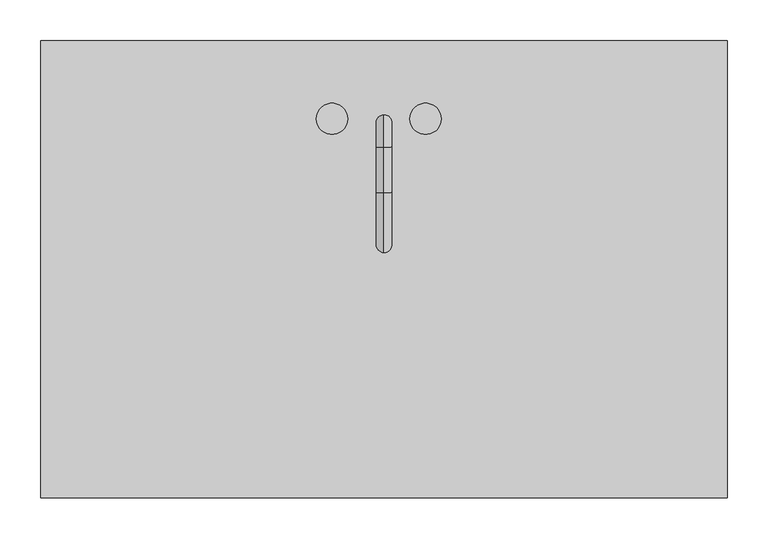
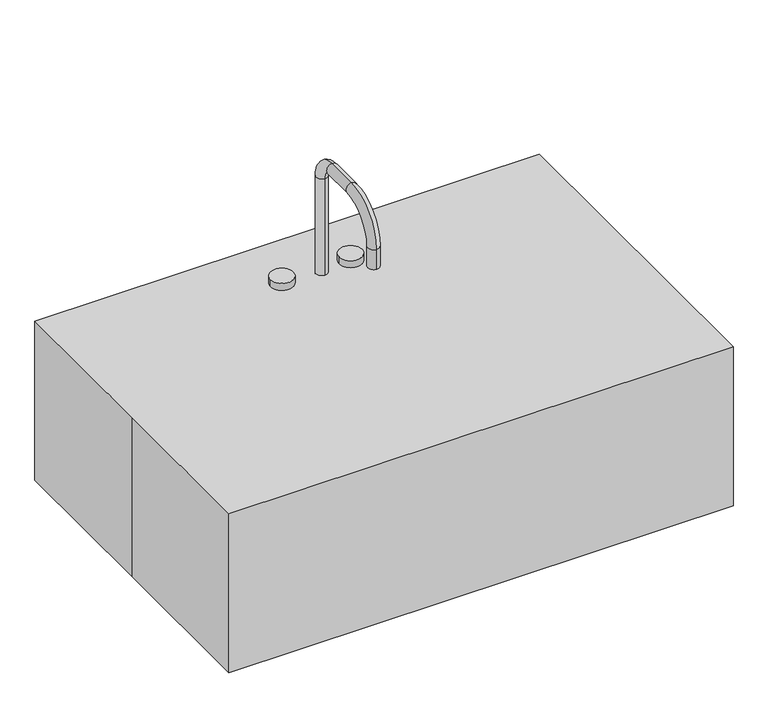
"""IFC4 building model written with IfcOpenShell, lengths in millimetres: proxy geometry."""

from ifc_helpers import new_model, si_unit, point, frame, frame_2d, origin, origin_with_axes, place, context, project, spatial, polyline, circle_curve, ellipse_curve, trimmed, segment, composite_curve, outline, extrude, source, transform, mapped, element, save
from ifc_brep_helpers import plane_surface, cylinder_surface, revolved_surface, advanced_brep


def specialty_equipment_ef24b253(model_context):
    return source(origin(), model_context, "Body", "SolidModel", [
        extrude(outline(composite_curve([segment(trimmed(circle_curve(frame_2d((-76.2000001, 92.075)), 63.5), [point((-12.7000001, 92.075))], [point((-76.2000001, 155.575))], True, "CARTESIAN"), True, "CONTINUOUS"), segment(polyline([(-76.2000001, 155.575), (82.55, 155.575)]), True, "CONTINUOUS"), segment(trimmed(circle_curve(frame_2d((82.55, 92.075)), 63.5), [point((82.55, 155.575))], [point((19.05, 92.075))], True, "CARTESIAN"), True, "CONTINUOUS"), segment(polyline([(19.05, 92.075), (19.05, -101.6)]), True, "CONTINUOUS"), segment(trimmed(circle_curve(frame_2d((82.55, -101.6)), 63.5), [point((19.05, -101.6))], [point((82.55, -165.1))], True, "CARTESIAN"), True, "CONTINUOUS"), segment(polyline([(82.55, -165.1), (-76.2000001, -165.1)]), True, "CONTINUOUS"), segment(trimmed(circle_curve(frame_2d((-76.2000001, -101.6)), 63.5), [point((-76.2000001, -165.1))], [point((-12.7000001, -101.6))], True, "CARTESIAN"), True, "CONTINUOUS"), segment(polyline([(-12.7000001, -101.6), (-12.7000001, 92.075)]), True, "CONTINUOUS")], self_intersect=False)), frame((0.0, 0.0, 215.9), z_axis=(0.0, 0.0, 1.0), x_axis=(1.0, 0.0, 0.0)), (0.0, 0.0, 1.0), 6.35),
        extrude(outline(composite_curve([segment(trimmed(circle_curve(frame_2d((292.1, 92.075)), 25.4), [point((292.1, 117.475))], [point((317.5, 92.075))], False, "CARTESIAN"), True, "CONTINUOUS"), segment(polyline([(317.5, 92.075), (317.5, -101.6)]), True, "CONTINUOUS"), segment(trimmed(circle_curve(frame_2d((292.1, -101.6)), 25.4), [point((317.5, -101.6))], [point((292.1, -127.0))], False, "CARTESIAN"), True, "CONTINUOUS"), segment(polyline([(292.1, -127.0), (82.55, -127.0)]), True, "CONTINUOUS"), segment(trimmed(circle_curve(frame_2d((82.55, -101.6)), 25.4), [point((82.55, -127.0))], [point((57.15, -101.6))], False, "CARTESIAN"), True, "CONTINUOUS"), segment(polyline([(57.15, -101.6), (57.15, 92.075)]), True, "CONTINUOUS"), segment(trimmed(circle_curve(frame_2d((82.55, 92.075)), 25.4), [point((57.15, 92.075))], [point((82.55, 117.475))], False, "CARTESIAN"), True, "CONTINUOUS"), segment(polyline([(82.55, 117.475), (292.1, 117.475)]), True, "CONTINUOUS")], self_intersect=False), holes=[composite_curve([segment(trimmed(circle_curve(frame_2d((194.3036609, 0.6047397)), 12.7), [point((181.6036609, 0.6047397))], [point((207.0036609, 0.6047397))], True, "CARTESIAN"), True, "CONTINUOUS"), segment(trimmed(circle_curve(frame_2d((194.3036609, 0.6047397)), 12.7), [point((207.0036609, 0.6047397))], [point((181.6036609, 0.6047397))], True, "CARTESIAN"), True, "CONTINUOUS")], self_intersect=False)]), origin_with_axes(), (0.0, 0.0, 1.0), 9.525),
        extrude(outline(composite_curve([segment(trimmed(circle_curve(frame_2d((-76.2000001, 92.075)), 25.4), [point((-76.2000001, 117.475))], [point((-50.8000001, 92.075))], False, "CARTESIAN"), True, "CONTINUOUS"), segment(polyline([(-50.8000001, 92.075), (-50.8000001, -101.6)]), True, "CONTINUOUS"), segment(trimmed(circle_curve(frame_2d((-76.2000001, -101.6)), 25.4), [point((-50.8000001, -101.6))], [point((-76.2000001, -127.0))], False, "CARTESIAN"), True, "CONTINUOUS"), segment(polyline([(-76.2000001, -127.0), (-285.7500001, -127.0)]), True, "CONTINUOUS"), segment(trimmed(circle_curve(frame_2d((-285.7500001, -101.6)), 25.4), [point((-285.7500001, -127.0))], [point((-311.1500001, -101.6))], False, "CARTESIAN"), True, "CONTINUOUS"), segment(polyline([(-311.1500001, -101.6), (-311.1500001, 92.075)]), True, "CONTINUOUS"), segment(trimmed(circle_curve(frame_2d((-285.7500001, 92.075)), 25.4), [point((-311.1500001, 92.075))], [point((-285.7500001, 117.475))], False, "CARTESIAN"), True, "CONTINUOUS"), segment(polyline([(-285.7500001, 117.475), (-76.2000001, 117.475)]), True, "CONTINUOUS")], self_intersect=False), holes=[composite_curve([segment(trimmed(circle_curve(frame_2d((-183.4161268, -2.9364763)), 12.7), [point((-196.1161268, -2.9364763))], [point((-170.7161268, -2.9364763))], True, "CARTESIAN"), True, "CONTINUOUS"), segment(trimmed(circle_curve(frame_2d((-183.4161268, -2.9364763)), 12.7), [point((-170.7161268, -2.9364763))], [point((-196.1161268, -2.9364763))], True, "CARTESIAN"), True, "CONTINUOUS")], self_intersect=False)]), origin_with_axes(), (0.0, 0.0, 1.0), 9.525),
        extrude(outline(polyline([(-419.1, 279.4), (419.1, 279.4), (419.1, -279.4), (-419.1, -279.4), (-419.1, 0.0), (-419.1, 279.4)])), origin_with_axes(), (0.0, 0.0, 1.0), 279.4),
        advanced_brep(
        [(82.55, 161.925, 0.0), (82.55, 161.925, 215.9), (292.1, 161.925, 215.9), (292.1, 161.925, 0.0), (82.55, 117.475, 0.0), (292.1, 117.475, 0.0), (82.55, 117.475, 9.525), (292.1, 117.475, 9.525), (82.55, 120.0634182, 9.525), (292.1, 120.0634182, 9.525), (82.55, 139.0409272, 26.9146831), (292.1, 139.0409272, 26.9146831), (82.55, 155.575, 215.9), (292.1, 155.575, 215.9), (361.95, 92.075, 0.0), (361.95, 92.075, 215.9), (317.5, 92.075, 0.0), (317.5, 92.075, 9.525), (320.0884182, 92.075, 9.525), (339.0659272, 92.075, 26.9146831), (355.6, 92.075, 215.9), (361.95, -101.6, 215.9), (361.95, -101.6, 0.0), (317.5, -101.6, 0.0), (317.5, -101.6, 9.525), (320.0884182, -101.6, 9.525), (339.0659272, -101.6, 26.9146831), (355.6, -101.6, 215.9), (292.1, -171.45, 0.0), (292.1, -171.45, 215.9), (292.1, -127.0, 0.0), (292.1, -127.0, 9.525), (292.1, -129.5884182, 9.525), (292.1, -148.5659272, 26.9146831), (292.1, -165.1, 215.9), (82.55, -171.45, 215.9), (82.55, -171.45, 0.0), (82.55, -127.0, 0.0), (82.55, -127.0, 9.525), (82.55, -129.5884182, 9.525), (82.55, -148.5659272, 26.9146831), (82.55, -165.1, 215.9), (12.7, -101.6, 0.0), (12.7, -101.6, 215.9), (57.15, -101.6, 0.0), (57.15, -101.6, 9.525), (54.5615818, -101.6, 9.525), (35.5840728, -101.6, 26.9146831), (19.05, -101.6, 215.9), (12.7, 92.075, 215.9), (12.7, 92.075, 0.0), (57.15, 92.075, 0.0), (57.15, 92.075, 9.525), (54.5615818, 92.075, 9.525), (35.5840728, 92.075, 26.9146831), (19.05, 92.075, 215.9)],
        [
            (0, 1),
            (1, 2),
            (2, 3),
            (3, 0),
            (4, 0),
            (3, 5),
            (5, 4),
            (6, 4),
            (5, 7),
            (7, 6),
            (8, 6),
            (7, 9),
            (9, 8),
            (10, 8, circle_curve(frame((82.55, 120.0634182, 28.575), z_axis=(-1.0, 0.0, 0.0), x_axis=(0.0, 1.0, 0.0)), 19.05)),
            (9, 11, circle_curve(frame((292.1, 120.0634182, 28.575), z_axis=(1.0, 0.0, 0.0), x_axis=(0.0, 1.0, 0.0)), 19.05)),
            (11, 10),
            (12, 10),
            (11, 13),
            (13, 12),
            (1, 12),
            (13, 2),
            (14, 3, circle_curve(frame((292.1, 92.075, 0.0), z_axis=(0.0, 0.0, 1.0), x_axis=(0.0, 1.0, 0.0)), 69.85)),
            (2, 15, circle_curve(frame((292.1, 92.075, 215.9), z_axis=(0.0, 0.0, -1.0), x_axis=(0.0, 1.0, 0.0)), 69.85)),
            (15, 14),
            (16, 5, circle_curve(frame((292.1, 92.075, 0.0), z_axis=(0.0, 0.0, 1.0), x_axis=(0.0, 1.0, 0.0)), 25.4)),
            (14, 16),
            (17, 7, circle_curve(frame((292.1, 92.075, 9.525), z_axis=(0.0, 0.0, 1.0), x_axis=(0.0, 1.0, 0.0)), 25.4)),
            (16, 17),
            (18, 9, circle_curve(frame((292.1, 92.075, 9.525), z_axis=(0.0, 0.0, 1.0), x_axis=(0.0, 1.0, 0.0)), 27.9884182)),
            (17, 18),
            (19, 11, circle_curve(frame((292.1, 92.075, 26.9146831), z_axis=(0.0, 0.0, 1.0), x_axis=(0.0, 1.0, 0.0)), 46.9659272)),
            (18, 19, circle_curve(frame((320.0884182, 92.075, 28.575), z_axis=(0.0, -1.0, 0.0), x_axis=(1.0, 0.0, 0.0)), 19.05)),
            (20, 13, circle_curve(frame((292.1, 92.075, 215.9), z_axis=(0.0, 0.0, 1.0), x_axis=(0.0, 1.0, 0.0)), 63.5)),
            (19, 20),
            (20, 15),
            (15, 21),
            (21, 22),
            (22, 14),
            (22, 23),
            (23, 16),
            (23, 24),
            (24, 17),
            (24, 25),
            (25, 18),
            (25, 26, circle_curve(frame((320.0884182, -101.6, 28.575), z_axis=(0.0, -1.0, 0.0), x_axis=(1.0, 0.0, 0.0)), 19.05)),
            (26, 19),
            (26, 27),
            (27, 20),
            (27, 21),
            (28, 22, circle_curve(frame((292.1, -101.6, 0.0), z_axis=(0.0, 0.0, 1.0), x_axis=(1.0, 0.0, 0.0)), 69.85)),
            (21, 29, circle_curve(frame((292.1, -101.6, 215.9), z_axis=(0.0, 0.0, -1.0), x_axis=(1.0, 0.0, 0.0)), 69.85)),
            (29, 28),
            (30, 23, circle_curve(frame((292.1, -101.6, 0.0), z_axis=(0.0, 0.0, 1.0), x_axis=(1.0, 0.0, 0.0)), 25.4)),
            (28, 30),
            (31, 24, circle_curve(frame((292.1, -101.6, 9.525), z_axis=(0.0, 0.0, 1.0), x_axis=(1.0, 0.0, 0.0)), 25.4)),
            (30, 31),
            (32, 25, circle_curve(frame((292.1, -101.6, 9.525), z_axis=(0.0, 0.0, 1.0), x_axis=(1.0, 0.0, 0.0)), 27.9884182)),
            (31, 32),
            (33, 26, circle_curve(frame((292.1, -101.6, 26.9146831), z_axis=(0.0, 0.0, 1.0), x_axis=(1.0, 0.0, 0.0)), 46.9659272)),
            (32, 33, circle_curve(frame((292.1, -129.5884182, 28.575), z_axis=(-1.0, 0.0, 0.0), x_axis=(0.0, -1.0, 0.0)), 19.05)),
            (34, 27, circle_curve(frame((292.1, -101.6, 215.9), z_axis=(0.0, 0.0, 1.0), x_axis=(1.0, 0.0, 0.0)), 63.5)),
            (33, 34),
            (34, 29),
            (29, 35),
            (35, 36),
            (36, 28),
            (36, 37),
            (37, 30),
            (37, 38),
            (38, 31),
            (38, 39),
            (39, 32),
            (39, 40, circle_curve(frame((82.55, -129.5884182, 28.575), z_axis=(-1.0, 0.0, 0.0), x_axis=(0.0, -1.0, 0.0)), 19.05)),
            (40, 33),
            (40, 41),
            (41, 34),
            (41, 35),
            (42, 36, circle_curve(frame((82.55, -101.6, 0.0), z_axis=(0.0, 0.0, 1.0), x_axis=(0.0, -1.0, 0.0)), 69.85)),
            (35, 43, circle_curve(frame((82.55, -101.6, 215.9), z_axis=(0.0, 0.0, -1.0), x_axis=(0.0, -1.0, 0.0)), 69.85)),
            (43, 42),
            (44, 37, circle_curve(frame((82.55, -101.6, 0.0), z_axis=(0.0, 0.0, 1.0), x_axis=(0.0, -1.0, 0.0)), 25.4)),
            (42, 44),
            (45, 38, circle_curve(frame((82.55, -101.6, 9.525), z_axis=(0.0, 0.0, 1.0), x_axis=(0.0, -1.0, 0.0)), 25.4)),
            (44, 45),
            (46, 39, circle_curve(frame((82.55, -101.6, 9.525), z_axis=(0.0, 0.0, 1.0), x_axis=(0.0, -1.0, 0.0)), 27.9884182)),
            (45, 46),
            (47, 40, circle_curve(frame((82.55, -101.6, 26.9146831), z_axis=(0.0, 0.0, 1.0), x_axis=(0.0, -1.0, 0.0)), 46.9659272)),
            (46, 47, circle_curve(frame((54.5615818, -101.6, 28.575), z_axis=(0.0, 1.0, 0.0), x_axis=(-1.0, 0.0, 0.0)), 19.05)),
            (48, 41, circle_curve(frame((82.55, -101.6, 215.9), z_axis=(0.0, 0.0, 1.0), x_axis=(0.0, -1.0, 0.0)), 63.5)),
            (47, 48),
            (48, 43),
            (43, 49),
            (49, 50),
            (50, 42),
            (50, 51),
            (51, 44),
            (51, 52),
            (52, 45),
            (52, 53),
            (53, 46),
            (53, 54, circle_curve(frame((54.5615818, 92.075, 28.575), z_axis=(0.0, 1.0, 0.0), x_axis=(-1.0, 0.0, 0.0)), 19.05)),
            (54, 47),
            (54, 55),
            (55, 48),
            (55, 49),
            (0, 50, circle_curve(frame((82.55, 92.075, 0.0), z_axis=(0.0, 0.0, 1.0), x_axis=(-1.0, 0.0, 0.0)), 69.85)),
            (49, 1, circle_curve(frame((82.55, 92.075, 215.9), z_axis=(0.0, 0.0, -1.0), x_axis=(-1.0, 0.0, 0.0)), 69.85)),
            (4, 51, circle_curve(frame((82.55, 92.075, 0.0), z_axis=(0.0, 0.0, 1.0), x_axis=(-1.0, 0.0, 0.0)), 25.4)),
            (6, 52, circle_curve(frame((82.55, 92.075, 9.525), z_axis=(0.0, 0.0, 1.0), x_axis=(-1.0, 0.0, 0.0)), 25.4)),
            (8, 53, circle_curve(frame((82.55, 92.075, 9.525), z_axis=(0.0, 0.0, 1.0), x_axis=(-1.0, 0.0, 0.0)), 27.9884182)),
            (10, 54, circle_curve(frame((82.55, 92.075, 26.9146831), z_axis=(0.0, 0.0, 1.0), x_axis=(-1.0, 0.0, 0.0)), 46.9659272)),
            (12, 55, circle_curve(frame((82.55, 92.075, 215.9), z_axis=(0.0, 0.0, 1.0), x_axis=(-1.0, 0.0, 0.0)), 63.5)),
        ],
        [
            plane_surface(frame((82.55, 161.925, 215.9), z_axis=(0.0, 1.0, 0.0), x_axis=(1.0, 0.0, 0.0))),
            plane_surface(frame((82.55, 161.925, 0.0), z_axis=(0.0, 0.0, -1.0), x_axis=(1.0, 0.0, 0.0))),
            plane_surface(frame((82.55, 117.475, 0.0), z_axis=(0.0, -1.0, 0.0), x_axis=(1.0, 0.0, 0.0))),
            plane_surface(frame((82.55, 117.475, 9.525), z_axis=(0.0, 0.0, 1.0), x_axis=(1.0, 0.0, 0.0))),
            revolved_surface(polyline([(292.1, 139.1134182, 28.575), (82.55, 139.1134182, 28.575)]), (82.55, 120.0634182, 28.575), (1.0, 0.0, 0.0)),
            plane_surface(frame((82.55, 139.0409272, 26.9146831), z_axis=(0.0, -0.9961946980917442, 0.08715574274767407), x_axis=(1.0, 0.0, 0.0))),
            plane_surface(frame((82.55, 155.575, 215.9), z_axis=(0.0, 0.0, 1.0), x_axis=(1.0, 0.0, 0.0))),
            cylinder_surface(frame((292.1, 92.075, -647.7), z_axis=(0.0, 0.0, -1.0), x_axis=(0.0, 1.0, 0.0)), 69.85),
            plane_surface(frame((292.1, 92.075, 0.0), z_axis=(0.0, 0.0, -1.0), x_axis=(0.0, 1.0, 0.0))),
            revolved_surface(polyline([(292.1, 117.475, 0.0), (292.1, 117.475, 9.524999999999977)]), (292.1, 92.075, -647.7), (0.0, 0.0, -1.0)),
            plane_surface(frame((292.1, 92.075, 9.525), z_axis=(0.0, 0.0, 1.0), x_axis=(0.0, 1.0, 0.0))),
            revolved_surface(trimmed(ellipse_curve(frame((292.1, 120.0634182, 28.575), z_axis=(1.0, 0.0, 0.0), x_axis=(0.0, 1.0, 0.0)), 19.05, 19.05), [point((292.1, 120.0634182, 9.525))], [point((292.1, 139.0409272, 26.9146831))], True, "CARTESIAN"), (292.1, 92.075, -647.7), (0.0, 0.0, -1.0)),
            revolved_surface(polyline([(292.1, 139.0409272, 26.9146831), (292.1, 155.575, 215.9)]), (292.1, 92.075, -647.7), (0.0, 0.0, -1.0)),
            plane_surface(frame((292.1, 92.075, 215.9), z_axis=(0.0, 0.0, 1.0), x_axis=(0.0, 1.0, 0.0))),
            plane_surface(frame((361.95, 92.075, 215.9), z_axis=(1.0, 0.0, 0.0), x_axis=(0.0, -1.0, 0.0))),
            plane_surface(frame((361.95, 92.075, 0.0), z_axis=(0.0, 0.0, -1.0), x_axis=(0.0, -1.0, 0.0))),
            plane_surface(frame((317.5, 92.075, 0.0), z_axis=(-1.0, 0.0, 0.0), x_axis=(0.0, -1.0, 0.0))),
            plane_surface(frame((317.5, 92.075, 9.525), z_axis=(0.0, 0.0, 1.0), x_axis=(0.0, -1.0, 0.0))),
            revolved_surface(polyline([(339.1384182, -101.60000000000001, 28.575), (339.1384182, 92.075, 28.575)]), (320.0884182, 92.075, 28.575), (0.0, -1.0, 0.0)),
            plane_surface(frame((339.0659272, 92.075, 26.9146831), z_axis=(-0.9961946980917442, 0.0, 0.08715574274767407), x_axis=(0.0, -1.0, 0.0))),
            plane_surface(frame((355.6, 92.075, 215.9), z_axis=(0.0, 0.0, 1.0), x_axis=(0.0, -1.0, 0.0))),
            cylinder_surface(frame((292.1, -101.6, -647.7), z_axis=(0.0, 0.0, -1.0), x_axis=(1.0, 0.0, 0.0)), 69.85),
            plane_surface(frame((292.1, -101.6, 0.0), z_axis=(0.0, 0.0, -1.0), x_axis=(1.0, 0.0, 0.0))),
            revolved_surface(polyline([(317.5, -101.6, 0.0), (317.5, -101.6, 9.524999999999977)]), (292.1, -101.6, -647.7), (0.0, 0.0, -1.0)),
            plane_surface(frame((292.1, -101.6, 9.525), z_axis=(0.0, 0.0, 1.0), x_axis=(1.0, 0.0, 0.0))),
            revolved_surface(trimmed(ellipse_curve(frame((320.0884182, -101.6, 28.575), z_axis=(0.0, -1.0, 0.0), x_axis=(1.0, 0.0, 0.0)), 19.05, 19.05), [point((320.0884182, -101.6, 9.525))], [point((339.0659272, -101.6, 26.9146831))], True, "CARTESIAN"), (292.1, -101.6, -647.7), (0.0, 0.0, -1.0)),
            revolved_surface(polyline([(339.0659272, -101.6, 26.9146831), (355.6, -101.6, 215.9)]), (292.1, -101.6, -647.7), (0.0, 0.0, -1.0)),
            plane_surface(frame((292.1, -101.6, 215.9), z_axis=(0.0, 0.0, 1.0), x_axis=(1.0, 0.0, 0.0))),
            plane_surface(frame((292.1, -171.45, 215.9), z_axis=(0.0, -1.0, 0.0), x_axis=(-1.0, 0.0, 0.0))),
            plane_surface(frame((292.1, -171.45, 0.0), z_axis=(0.0, 0.0, -1.0), x_axis=(-1.0, 0.0, 0.0))),
            plane_surface(frame((292.1, -127.0, 0.0), z_axis=(0.0, 1.0, 0.0), x_axis=(-1.0, 0.0, 0.0))),
            plane_surface(frame((292.1, -127.0, 9.525), z_axis=(0.0, 0.0, 1.0), x_axis=(-1.0, 0.0, 0.0))),
            revolved_surface(polyline([(82.55000000000001, -148.63841820000002, 28.575), (292.1, -148.63841820000002, 28.575)]), (292.1, -129.5884182, 28.575), (-1.0, 0.0, 0.0)),
            plane_surface(frame((292.1, -148.5659272, 26.9146831), z_axis=(0.0, 0.9961946980917442, 0.08715574274767407), x_axis=(-1.0, 0.0, 0.0))),
            plane_surface(frame((292.1, -165.1, 215.9), z_axis=(0.0, 0.0, 1.0), x_axis=(-1.0, 0.0, 0.0))),
            cylinder_surface(frame((82.55, -101.6, -647.7), z_axis=(0.0, 0.0, -1.0), x_axis=(0.0, -1.0, 0.0)), 69.85),
            plane_surface(frame((82.55, -101.6, 0.0), z_axis=(0.0, 0.0, -1.0), x_axis=(0.0, -1.0, 0.0))),
            revolved_surface(polyline([(82.55, -127.0, 0.0), (82.55, -127.0, 9.524999999999977)]), (82.55, -101.6, -647.7), (0.0, 0.0, -1.0)),
            plane_surface(frame((82.55, -101.6, 9.525), z_axis=(0.0, 0.0, 1.0), x_axis=(0.0, -1.0, 0.0))),
            revolved_surface(trimmed(ellipse_curve(frame((82.55, -129.5884182, 28.575), z_axis=(-1.0, 0.0, 0.0), x_axis=(0.0, -1.0, 0.0)), 19.05, 19.05), [point((82.55, -129.5884182, 9.525))], [point((82.55, -148.5659272, 26.9146831))], True, "CARTESIAN"), (82.55, -101.6, -647.7), (0.0, 0.0, -1.0)),
            revolved_surface(polyline([(82.55, -148.5659272, 26.9146831), (82.55, -165.1, 215.9)]), (82.55, -101.6, -647.7), (0.0, 0.0, -1.0)),
            plane_surface(frame((82.55, -101.6, 215.9), z_axis=(0.0, 0.0, 1.0), x_axis=(0.0, -1.0, 0.0))),
            plane_surface(frame((12.7, -101.6, 215.9), z_axis=(-1.0, 0.0, 0.0), x_axis=(0.0, 1.0, 0.0))),
            plane_surface(frame((12.7, -101.6, 0.0), z_axis=(0.0, 0.0, -1.0), x_axis=(0.0, 1.0, 0.0))),
            plane_surface(frame((57.15, -101.6, 0.0), z_axis=(1.0, 0.0, 0.0), x_axis=(0.0, 1.0, 0.0))),
            plane_surface(frame((57.15, -101.6, 9.525), z_axis=(0.0, 0.0, 1.0), x_axis=(0.0, 1.0, 0.0))),
            revolved_surface(polyline([(35.5115818, 92.07500000000002, 28.575), (35.5115818, -101.6, 28.575)]), (54.5615818, -101.6, 28.575), (0.0, 1.0, 0.0)),
            plane_surface(frame((35.5840728, -101.6, 26.9146831), z_axis=(0.9961946980917442, 0.0, 0.08715574274767407), x_axis=(0.0, 1.0, 0.0))),
            plane_surface(frame((19.05, -101.6, 215.9), z_axis=(0.0, 0.0, 1.0), x_axis=(0.0, 1.0, 0.0))),
            cylinder_surface(frame((82.55, 92.075, -647.7), z_axis=(0.0, 0.0, -1.0), x_axis=(-1.0, 0.0, 0.0)), 69.85),
            plane_surface(frame((82.55, 92.075, 0.0), z_axis=(0.0, 0.0, -1.0), x_axis=(-1.0, 0.0, 0.0))),
            revolved_surface(polyline([(57.15, 92.075, 0.0), (57.15, 92.075, 9.524999999999977)]), (82.55, 92.075, -647.7), (0.0, 0.0, -1.0)),
            plane_surface(frame((82.55, 92.075, 9.525), z_axis=(0.0, 0.0, 1.0), x_axis=(-1.0, 0.0, 0.0))),
            revolved_surface(trimmed(ellipse_curve(frame((54.5615818, 92.075, 28.575), z_axis=(0.0, 1.0, 0.0), x_axis=(-1.0, 0.0, 0.0)), 19.05, 19.05), [point((54.5615818, 92.075, 9.525))], [point((35.5840728, 92.075, 26.9146831))], True, "CARTESIAN"), (82.55, 92.075, -647.7), (0.0, 0.0, -1.0)),
            revolved_surface(polyline([(35.5840728, 92.075, 26.9146831), (19.05, 92.075, 215.9)]), (82.55, 92.075, -647.7), (0.0, 0.0, -1.0)),
            plane_surface(frame((82.55, 92.075, 215.9), z_axis=(0.0, 0.0, 1.0), x_axis=(-1.0, 0.0, 0.0))),
        ],
        [
            (0, [[1, 2, 3, 4]]),
            (1, [[5, -4, 6, 7]]),
            (2, [[8, -7, 9, 10]]),
            (3, [[11, -10, 12, 13]]),
            (4, [[14, -13, 15, 16]]),
            (5, [[17, -16, 18, 19]]),
            (6, [[20, -19, 21, -2]]),
            (7, [[22, -3, 23, 24]]),
            (8, [[25, -6, -22, 26]]),
            (9, [[27, -9, -25, 28]]),
            (10, [[29, -12, -27, 30]]),
            (11, [[31, -15, -29, 32]]),
            (12, [[33, -18, -31, 34]]),
            (13, [[-23, -21, -33, 35]]),
            (14, [[-24, 36, 37, 38]]),
            (15, [[-26, -38, 39, 40]]),
            (16, [[-28, -40, 41, 42]]),
            (17, [[-30, -42, 43, 44]]),
            (18, [[-32, -44, 45, 46]]),
            (19, [[-34, -46, 47, 48]]),
            (20, [[-35, -48, 49, -36]]),
            (21, [[50, -37, 51, 52]]),
            (22, [[53, -39, -50, 54]]),
            (23, [[55, -41, -53, 56]]),
            (24, [[57, -43, -55, 58]]),
            (25, [[59, -45, -57, 60]]),
            (26, [[61, -47, -59, 62]]),
            (27, [[-51, -49, -61, 63]]),
            (28, [[-52, 64, 65, 66]]),
            (29, [[-54, -66, 67, 68]]),
            (30, [[-56, -68, 69, 70]]),
            (31, [[-58, -70, 71, 72]]),
            (32, [[-60, -72, 73, 74]]),
            (33, [[-62, -74, 75, 76]]),
            (34, [[-63, -76, 77, -64]]),
            (35, [[78, -65, 79, 80]]),
            (36, [[81, -67, -78, 82]]),
            (37, [[83, -69, -81, 84]]),
            (38, [[85, -71, -83, 86]]),
            (39, [[87, -73, -85, 88]]),
            (40, [[89, -75, -87, 90]]),
            (41, [[-79, -77, -89, 91]]),
            (42, [[-80, 92, 93, 94]]),
            (43, [[-82, -94, 95, 96]]),
            (44, [[-84, -96, 97, 98]]),
            (45, [[-86, -98, 99, 100]]),
            (46, [[-88, -100, 101, 102]]),
            (47, [[-90, -102, 103, 104]]),
            (48, [[-91, -104, 105, -92]]),
            (49, [[106, -93, 107, -1]]),
            (50, [[108, -95, -106, -5]]),
            (51, [[109, -97, -108, -8]]),
            (52, [[110, -99, -109, -11]]),
            (53, [[111, -101, -110, -14]]),
            (54, [[112, -103, -111, -17]]),
            (55, [[-107, -105, -112, -20]]),
        ],
    ),
        extrude(outline(composite_curve([segment(trimmed(circle_curve(frame_2d((76.1999999, 184.15)), 19.05), [point((76.1999999, 203.2))], [point((76.1999999, 165.1))], False, "CARTESIAN"), True, "CONTINUOUS"), segment(polyline([(76.1999999, 165.1), (-88.9000001, 165.1)]), True, "CONTINUOUS"), segment(trimmed(circle_curve(frame_2d((-88.9000001, 184.15)), 19.05), [point((-88.9000001, 165.1))], [point((-88.9000001, 203.2))], False, "CARTESIAN"), True, "CONTINUOUS"), segment(polyline([(-88.9000001, 203.2), (76.1999999, 203.2)]), True, "CONTINUOUS")], self_intersect=False), holes=[composite_curve([segment(trimmed(circle_curve(frame_2d((-1e-07, 179.3875)), 9.525), [point((-9.5250001, 179.3875))], [point((9.5249999, 179.3875))], True, "CARTESIAN"), True, "CONTINUOUS"), segment(trimmed(circle_curve(frame_2d((-1e-07, 179.3875)), 9.525), [point((9.5249999, 179.3875))], [point((-9.5250001, 179.3875))], True, "CARTESIAN"), True, "CONTINUOUS")], self_intersect=False)]), frame((0.0, 0.0, 228.6), z_axis=(0.0, 0.0, 1.0), x_axis=(1.0, 0.0, 0.0)), (0.0, 0.0, 1.0), 12.7),
        extrude(outline(composite_curve([segment(trimmed(circle_curve(frame_2d((-1e-07, 179.3875)), 12.7), [point((-12.7000001, 179.3875))], [point((12.6999999, 179.3875))], False, "CARTESIAN"), True, "CONTINUOUS"), segment(trimmed(circle_curve(frame_2d((-1e-07, 179.3875)), 12.7), [point((12.6999999, 179.3875))], [point((-12.7000001, 179.3875))], False, "CARTESIAN"), True, "CONTINUOUS")], self_intersect=False), holes=[composite_curve([segment(trimmed(circle_curve(frame_2d((-1e-07, 179.3875)), 9.525), [point((-9.5250001, 179.3875))], [point((9.5249999, 179.3875))], True, "CARTESIAN"), True, "CONTINUOUS"), segment(trimmed(circle_curve(frame_2d((-1e-07, 179.3875)), 9.525), [point((9.5249999, 179.3875))], [point((-9.5250001, 179.3875))], True, "CARTESIAN"), True, "CONTINUOUS")], self_intersect=False)]), frame((0.0, 0.0, 241.3), z_axis=(0.0, 0.0, 1.0), x_axis=(1.0, 0.0, 0.0)), (0.0, 0.0, 1.0), 12.7),
        advanced_brep(
        [(-1e-07, 188.9125, 228.6), (-1e-07, 169.8625, 228.6), (-1e-07, 188.9125, 449.2625), (-1e-07, 169.8625, 449.2625), (-1e-07, 149.225, 469.9), (-1e-07, 149.225, 488.95), (-1e-07, 93.6625, 488.95), (-1e-07, 93.6625, 469.9), (-1e-07, 39.6875, 415.925), (-1e-07, 20.6375, 415.925), (-1e-07, 20.6375, 381.0), (-1e-07, 39.6875, 381.0)],
        [
            (0, 1, circle_curve(frame((-1e-07, 179.3875, 228.6), z_axis=(0.0, 0.0, -1.0), x_axis=(0.0, -1.0, 0.0)), 9.525)),
            (1, 0, circle_curve(frame((-1e-07, 179.3875, 228.6), z_axis=(0.0, 0.0, -1.0), x_axis=(0.0, -1.0, 0.0)), 9.525)),
            (0, 2),
            (2, 3, circle_curve(frame((-1e-07, 179.3875, 449.2625), z_axis=(0.0, 0.0, -1.0), x_axis=(0.0, -1.0, 0.0)), 9.525)),
            (3, 1),
            (3, 2, circle_curve(frame((-1e-07, 179.3875, 449.2625), z_axis=(0.0, 0.0, -1.0), x_axis=(0.0, -1.0, 0.0)), 9.525)),
            (4, 3, circle_curve(frame((-1e-07, 149.225, 449.2625), z_axis=(-1.0, 0.0, 0.0), x_axis=(0.0, 1.0, 0.0)), 20.6375)),
            (2, 5, circle_curve(frame((-1e-07, 149.225, 449.2625), z_axis=(1.0, 0.0, 0.0), x_axis=(0.0, 1.0, 0.0)), 39.6875)),
            (5, 4, circle_curve(frame((-1e-07, 149.225, 479.425), z_axis=(0.0, 1.0, 0.0), x_axis=(0.0, 0.0, -1.0)), 9.525)),
            (4, 5, circle_curve(frame((-1e-07, 149.225, 479.425), z_axis=(0.0, 1.0, 0.0), x_axis=(0.0, 0.0, -1.0)), 9.525)),
            (5, 6),
            (6, 7, circle_curve(frame((-1e-07, 93.6625, 479.425), z_axis=(0.0, 1.0, 0.0), x_axis=(0.0, 0.0, -1.0)), 9.525)),
            (7, 4),
            (7, 6, circle_curve(frame((-1e-07, 93.6625, 479.425), z_axis=(0.0, 1.0, 0.0), x_axis=(0.0, 0.0, -1.0)), 9.525)),
            (8, 7, circle_curve(frame((-1e-07, 93.6625, 415.925), z_axis=(-1.0, 0.0, 0.0), x_axis=(0.0, 0.0, 1.0)), 53.975)),
            (6, 9, circle_curve(frame((-1e-07, 93.6625, 415.925), z_axis=(1.0, 0.0, 0.0), x_axis=(0.0, 0.0, 1.0)), 73.025)),
            (9, 8, circle_curve(frame((-1e-07, 30.1625, 415.925), z_axis=(0.0, 0.0, 1.0), x_axis=(0.0, 1.0, 0.0)), 9.525)),
            (8, 9, circle_curve(frame((-1e-07, 30.1625, 415.925), z_axis=(0.0, 0.0, 1.0), x_axis=(0.0, 1.0, 0.0)), 9.525)),
            (10, 11, circle_curve(frame((-1e-07, 30.1625, 381.0), z_axis=(0.0, 0.0, -1.0), x_axis=(0.0, 1.0, 0.0)), 9.525)),
            (11, 10, circle_curve(frame((-1e-07, 30.1625, 381.0), z_axis=(0.0, 0.0, -1.0), x_axis=(0.0, 1.0, 0.0)), 9.525)),
            (9, 10),
            (11, 8),
        ],
        [
            plane_surface(frame((-1e-07, 169.8625, 228.6), z_axis=(0.0, 0.0, -1.0), x_axis=(1.0, 0.0, 0.0))),
            cylinder_surface(frame((-1e-07, 179.3875, 228.6), z_axis=(0.0, 0.0, -1.0), x_axis=(0.0, -1.0, 0.0)), 9.525),
            revolved_surface(trimmed(ellipse_curve(frame((-1e-07, 179.3875, 449.2625), z_axis=(0.0, 0.0, -1.0), x_axis=(0.0, -1.0, 0.0)), 9.525, 9.525), [point((-1e-07, 188.9125, 449.2625))], [point((-1e-07, 169.8625, 449.2625))], True, "CARTESIAN"), (-1e-07, 149.225, 449.2625), (1.0, 0.0, 0.0)),
            revolved_surface(trimmed(ellipse_curve(frame((-1e-07, 179.3875, 449.2625), z_axis=(0.0, 0.0, -1.0), x_axis=(0.0, -1.0, 0.0)), 9.525, 9.525), [point((-1e-07, 169.8625, 449.2625))], [point((-1e-07, 188.9125, 449.2625))], True, "CARTESIAN"), (-1e-07, 149.225, 449.2625), (1.0, 0.0, 0.0)),
            cylinder_surface(frame((-1e-07, 149.225, 479.425), z_axis=(0.0, 1.0, 0.0), x_axis=(0.0, 0.0, -1.0)), 9.525),
            revolved_surface(trimmed(ellipse_curve(frame((-1e-07, 93.6625, 479.425), z_axis=(0.0, 1.0, 0.0), x_axis=(0.0, 0.0, -1.0)), 9.525, 9.525), [point((-1e-07, 93.6625, 488.95))], [point((-1e-07, 93.6625, 469.9))], True, "CARTESIAN"), (-1e-07, 93.6625, 415.925), (1.0, 0.0, 0.0)),
            revolved_surface(trimmed(ellipse_curve(frame((-1e-07, 93.6625, 479.425), z_axis=(0.0, 1.0, 0.0), x_axis=(0.0, 0.0, -1.0)), 9.525, 9.525), [point((-1e-07, 93.6625, 469.9))], [point((-1e-07, 93.6625, 488.95))], True, "CARTESIAN"), (-1e-07, 93.6625, 415.925), (1.0, 0.0, 0.0)),
            plane_surface(frame((-1e-07, 20.6375, 381.0), z_axis=(0.0, 0.0, -1.0), x_axis=(-1.0, 0.0, 0.0))),
            cylinder_surface(frame((-1e-07, 30.1625, 415.925), z_axis=(0.0, 0.0, 1.0), x_axis=(0.0, 1.0, 0.0)), 9.525),
        ],
        [
            (0, [[1, 2]]),
            (1, [[-1, 3, 4, 5]]),
            (1, [[-2, -5, 6, -3]]),
            (2, [[7, -4, 8, 9]]),
            (3, [[-8, -6, -7, 10]]),
            (4, [[-9, 11, 12, 13]]),
            (4, [[-10, -13, 14, -11]]),
            (5, [[15, -12, 16, 17]]),
            (6, [[-16, -14, -15, 18]]),
            (7, [[19, 20]]),
            (8, [[-17, 21, -20, 22]]),
            (8, [[-18, -22, -19, -21]]),
        ],
    ),
        extrude(outline(composite_curve([segment(trimmed(circle_curve(frame_2d((-63.5000001, 184.15)), 19.05), [point((-82.5500001, 184.15))], [point((-44.4500001, 184.15))], False, "CARTESIAN"), True, "CONTINUOUS"), segment(trimmed(circle_curve(frame_2d((-63.5000001, 184.15)), 19.05), [point((-44.4500001, 184.15))], [point((-82.5500001, 184.15))], False, "CARTESIAN"), True, "CONTINUOUS")], self_intersect=False)), frame((0.0, 0.0, 241.3), z_axis=(0.0, 0.0, 1.0), x_axis=(1.0, 0.0, 0.0)), (0.0, 0.0, 1.0), 50.8),
        extrude(outline(composite_curve([segment(trimmed(circle_curve(frame_2d((50.7999999, 184.15)), 19.05), [point((31.7499999, 184.15))], [point((69.8499999, 184.15))], False, "CARTESIAN"), True, "CONTINUOUS"), segment(trimmed(circle_curve(frame_2d((50.7999999, 184.15)), 19.05), [point((69.8499999, 184.15))], [point((31.7499999, 184.15))], False, "CARTESIAN"), True, "CONTINUOUS")], self_intersect=False)), frame((0.0, 0.0, 241.3), z_axis=(0.0, 0.0, 1.0), x_axis=(1.0, 0.0, 0.0)), (0.0, 0.0, 1.0), 50.8),
        advanced_brep(
        [(-285.7500001, 161.925, 0.0), (-285.7500001, 161.925, 215.9), (-76.2000001, 161.925, 215.9), (-76.2000001, 161.925, 0.0), (-285.7500001, 117.475, 0.0), (-76.2000001, 117.475, 0.0), (-285.7500001, 117.475, 9.525), (-76.2000001, 117.475, 9.525), (-285.7500001, 120.0634182, 9.525), (-76.2000001, 120.0634182, 9.525), (-285.7500001, 139.0409272, 26.9146831), (-76.2000001, 139.0409272, 26.9146831), (-285.7500001, 155.575, 215.9), (-76.2000001, 155.575, 215.9), (-6.3500001, 92.075, 0.0), (-6.3500001, 92.075, 215.9), (-50.8000001, 92.075, 0.0), (-50.8000001, 92.075, 9.525), (-48.2115819, 92.075, 9.525), (-29.2340729, 92.075, 26.9146831), (-12.7000001, 92.075, 215.9), (-6.3500001, -101.6, 215.9), (-6.3500001, -101.6, 0.0), (-50.8000001, -101.6, 0.0), (-50.8000001, -101.6, 9.525), (-48.2115819, -101.6, 9.525), (-29.2340729, -101.6, 26.9146831), (-12.7000001, -101.6, 215.9), (-76.2000001, -171.45, 0.0), (-76.2000001, -171.45, 215.9), (-76.2000001, -127.0, 0.0), (-76.2000001, -127.0, 9.525), (-76.2000001, -129.5884182, 9.525), (-76.2000001, -148.5659272, 26.9146831), (-76.2000001, -165.1, 215.9), (-285.7500001, -171.45, 215.9), (-285.7500001, -171.45, 0.0), (-285.7500001, -127.0, 0.0), (-285.7500001, -127.0, 9.525), (-285.7500001, -129.5884182, 9.525), (-285.7500001, -148.5659272, 26.9146831), (-285.7500001, -165.1, 215.9), (-355.6000001, -101.6, 0.0), (-355.6000001, -101.6, 215.9), (-311.1500001, -101.6, 0.0), (-311.1500001, -101.6, 9.525), (-313.7384183, -101.6, 9.525), (-332.7159273, -101.6, 26.9146831), (-349.2500001, -101.6, 215.9), (-355.6000001, 92.075, 215.9), (-355.6000001, 92.075, 0.0), (-311.1500001, 92.075, 0.0), (-311.1500001, 92.075, 9.525), (-313.7384183, 92.075, 9.525), (-332.7159273, 92.075, 26.9146831), (-349.2500001, 92.075, 215.9)],
        [
            (0, 1),
            (1, 2),
            (2, 3),
            (3, 0),
            (4, 0),
            (3, 5),
            (5, 4),
            (6, 4),
            (5, 7),
            (7, 6),
            (8, 6),
            (7, 9),
            (9, 8),
            (10, 8, circle_curve(frame((-285.7500001, 120.0634182, 28.575), z_axis=(-1.0, 0.0, 0.0), x_axis=(0.0, 1.0, 0.0)), 19.05)),
            (9, 11, circle_curve(frame((-76.2000001, 120.0634182, 28.575), z_axis=(1.0, 0.0, 0.0), x_axis=(0.0, 1.0, 0.0)), 19.05)),
            (11, 10),
            (12, 10),
            (11, 13),
            (13, 12),
            (1, 12),
            (13, 2),
            (14, 3, circle_curve(frame((-76.2000001, 92.075, 0.0), z_axis=(0.0, 0.0, 1.0), x_axis=(0.0, 1.0, 0.0)), 69.85)),
            (2, 15, circle_curve(frame((-76.2000001, 92.075, 215.9), z_axis=(0.0, 0.0, -1.0), x_axis=(0.0, 1.0, 0.0)), 69.85)),
            (15, 14),
            (16, 5, circle_curve(frame((-76.2000001, 92.075, 0.0), z_axis=(0.0, 0.0, 1.0), x_axis=(0.0, 1.0, 0.0)), 25.4)),
            (14, 16),
            (17, 7, circle_curve(frame((-76.2000001, 92.075, 9.525), z_axis=(0.0, 0.0, 1.0), x_axis=(0.0, 1.0, 0.0)), 25.4)),
            (16, 17),
            (18, 9, circle_curve(frame((-76.2000001, 92.075, 9.525), z_axis=(0.0, 0.0, 1.0), x_axis=(0.0, 1.0, 0.0)), 27.9884182)),
            (17, 18),
            (19, 11, circle_curve(frame((-76.2000001, 92.075, 26.9146831), z_axis=(0.0, 0.0, 1.0), x_axis=(0.0, 1.0, 0.0)), 46.9659272)),
            (18, 19, circle_curve(frame((-48.2115819, 92.075, 28.575), z_axis=(0.0, -1.0, 0.0), x_axis=(1.0, 0.0, 0.0)), 19.05)),
            (20, 13, circle_curve(frame((-76.2000001, 92.075, 215.9), z_axis=(0.0, 0.0, 1.0), x_axis=(0.0, 1.0, 0.0)), 63.5)),
            (19, 20),
            (20, 15),
            (15, 21),
            (21, 22),
            (22, 14),
            (22, 23),
            (23, 16),
            (23, 24),
            (24, 17),
            (24, 25),
            (25, 18),
            (25, 26, circle_curve(frame((-48.2115819, -101.6, 28.575), z_axis=(0.0, -1.0, 0.0), x_axis=(1.0, 0.0, 0.0)), 19.05)),
            (26, 19),
            (26, 27),
            (27, 20),
            (27, 21),
            (28, 22, circle_curve(frame((-76.2000001, -101.6, 0.0), z_axis=(0.0, 0.0, 1.0), x_axis=(1.0, 0.0, 0.0)), 69.85)),
            (21, 29, circle_curve(frame((-76.2000001, -101.6, 215.9), z_axis=(0.0, 0.0, -1.0), x_axis=(1.0, 0.0, 0.0)), 69.85)),
            (29, 28),
            (30, 23, circle_curve(frame((-76.2000001, -101.6, 0.0), z_axis=(0.0, 0.0, 1.0), x_axis=(1.0, 0.0, 0.0)), 25.4)),
            (28, 30),
            (31, 24, circle_curve(frame((-76.2000001, -101.6, 9.525), z_axis=(0.0, 0.0, 1.0), x_axis=(1.0, 0.0, 0.0)), 25.4)),
            (30, 31),
            (32, 25, circle_curve(frame((-76.2000001, -101.6, 9.525), z_axis=(0.0, 0.0, 1.0), x_axis=(1.0, 0.0, 0.0)), 27.9884182)),
            (31, 32),
            (33, 26, circle_curve(frame((-76.2000001, -101.6, 26.9146831), z_axis=(0.0, 0.0, 1.0), x_axis=(1.0, 0.0, 0.0)), 46.9659272)),
            (32, 33, circle_curve(frame((-76.2000001, -129.5884182, 28.575), z_axis=(-1.0, 0.0, 0.0), x_axis=(0.0, -1.0, 0.0)), 19.05)),
            (34, 27, circle_curve(frame((-76.2000001, -101.6, 215.9), z_axis=(0.0, 0.0, 1.0), x_axis=(1.0, 0.0, 0.0)), 63.5)),
            (33, 34),
            (34, 29),
            (29, 35),
            (35, 36),
            (36, 28),
            (36, 37),
            (37, 30),
            (37, 38),
            (38, 31),
            (38, 39),
            (39, 32),
            (39, 40, circle_curve(frame((-285.7500001, -129.5884182, 28.575), z_axis=(-1.0, 0.0, 0.0), x_axis=(0.0, -1.0, 0.0)), 19.05)),
            (40, 33),
            (40, 41),
            (41, 34),
            (41, 35),
            (42, 36, circle_curve(frame((-285.7500001, -101.6, 0.0), z_axis=(0.0, 0.0, 1.0), x_axis=(0.0, -1.0, 0.0)), 69.85)),
            (35, 43, circle_curve(frame((-285.7500001, -101.6, 215.9), z_axis=(0.0, 0.0, -1.0), x_axis=(0.0, -1.0, 0.0)), 69.85)),
            (43, 42),
            (44, 37, circle_curve(frame((-285.7500001, -101.6, 0.0), z_axis=(0.0, 0.0, 1.0), x_axis=(0.0, -1.0, 0.0)), 25.4)),
            (42, 44),
            (45, 38, circle_curve(frame((-285.7500001, -101.6, 9.525), z_axis=(0.0, 0.0, 1.0), x_axis=(0.0, -1.0, 0.0)), 25.4)),
            (44, 45),
            (46, 39, circle_curve(frame((-285.7500001, -101.6, 9.525), z_axis=(0.0, 0.0, 1.0), x_axis=(0.0, -1.0, 0.0)), 27.9884182)),
            (45, 46),
            (47, 40, circle_curve(frame((-285.7500001, -101.6, 26.9146831), z_axis=(0.0, 0.0, 1.0), x_axis=(0.0, -1.0, 0.0)), 46.9659272)),
            (46, 47, circle_curve(frame((-313.7384183, -101.6, 28.575), z_axis=(0.0, 1.0, 0.0), x_axis=(-1.0, 0.0, 0.0)), 19.05)),
            (48, 41, circle_curve(frame((-285.7500001, -101.6, 215.9), z_axis=(0.0, 0.0, 1.0), x_axis=(0.0, -1.0, 0.0)), 63.5)),
            (47, 48),
            (48, 43),
            (43, 49),
            (49, 50),
            (50, 42),
            (50, 51),
            (51, 44),
            (51, 52),
            (52, 45),
            (52, 53),
            (53, 46),
            (53, 54, circle_curve(frame((-313.7384183, 92.075, 28.575), z_axis=(0.0, 1.0, 0.0), x_axis=(-1.0, 0.0, 0.0)), 19.05)),
            (54, 47),
            (54, 55),
            (55, 48),
            (55, 49),
            (0, 50, circle_curve(frame((-285.7500001, 92.075, 0.0), z_axis=(0.0, 0.0, 1.0), x_axis=(-1.0, 0.0, 0.0)), 69.85)),
            (49, 1, circle_curve(frame((-285.7500001, 92.075, 215.9), z_axis=(0.0, 0.0, -1.0), x_axis=(-1.0, 0.0, 0.0)), 69.85)),
            (4, 51, circle_curve(frame((-285.7500001, 92.075, 0.0), z_axis=(0.0, 0.0, 1.0), x_axis=(-1.0, 0.0, 0.0)), 25.4)),
            (6, 52, circle_curve(frame((-285.7500001, 92.075, 9.525), z_axis=(0.0, 0.0, 1.0), x_axis=(-1.0, 0.0, 0.0)), 25.4)),
            (8, 53, circle_curve(frame((-285.7500001, 92.075, 9.525), z_axis=(0.0, 0.0, 1.0), x_axis=(-1.0, 0.0, 0.0)), 27.9884182)),
            (10, 54, circle_curve(frame((-285.7500001, 92.075, 26.9146831), z_axis=(0.0, 0.0, 1.0), x_axis=(-1.0, 0.0, 0.0)), 46.9659272)),
            (12, 55, circle_curve(frame((-285.7500001, 92.075, 215.9), z_axis=(0.0, 0.0, 1.0), x_axis=(-1.0, 0.0, 0.0)), 63.5)),
        ],
        [
            plane_surface(frame((-285.7500001, 161.925, 215.9), z_axis=(0.0, 1.0, 0.0), x_axis=(1.0, 0.0, 0.0))),
            plane_surface(frame((-285.7500001, 161.925, 0.0), z_axis=(0.0, 0.0, -1.0), x_axis=(1.0, 0.0, 0.0))),
            plane_surface(frame((-285.7500001, 117.475, 0.0), z_axis=(0.0, -1.0, 0.0), x_axis=(1.0, 0.0, 0.0))),
            plane_surface(frame((-285.7500001, 117.475, 9.525), z_axis=(0.0, 0.0, 1.0), x_axis=(1.0, 0.0, 0.0))),
            revolved_surface(polyline([(-76.20000010000001, 139.1134182, 28.575), (-285.7500001, 139.1134182, 28.575)]), (-285.7500001, 120.0634182, 28.575), (1.0, 0.0, 0.0)),
            plane_surface(frame((-285.7500001, 139.0409272, 26.9146831), z_axis=(0.0, -0.9961946980917271, 0.0871557427478694), x_axis=(1.0, 0.0, 0.0))),
            plane_surface(frame((-285.7500001, 155.575, 215.9), z_axis=(0.0, 0.0, 1.0), x_axis=(1.0, 0.0, 0.0))),
            cylinder_surface(frame((-76.2000001, 92.075, -647.7), z_axis=(0.0, 0.0, -1.0), x_axis=(0.0, 1.0, 0.0)), 69.85),
            plane_surface(frame((-76.2000001, 92.075, 0.0), z_axis=(0.0, 0.0, -1.0), x_axis=(0.0, 1.0, 0.0))),
            revolved_surface(polyline([(-76.2000001, 117.475, 0.0), (-76.2000001, 117.475, 9.524999999999977)]), (-76.2000001, 92.075, -647.7), (0.0, 0.0, -1.0)),
            plane_surface(frame((-76.2000001, 92.075, 9.525), z_axis=(0.0, 0.0, 1.0), x_axis=(0.0, 1.0, 0.0))),
            revolved_surface(trimmed(ellipse_curve(frame((-76.2000001, 120.0634182, 28.575), z_axis=(1.0, 0.0, 0.0), x_axis=(0.0, 1.0, 0.0)), 19.05, 19.05), [point((-76.2000001, 120.0634182, 9.525))], [point((-76.2000001, 139.0409272, 26.9146831))], True, "CARTESIAN"), (-76.2000001, 92.075, -647.7), (0.0, 0.0, -1.0)),
            revolved_surface(polyline([(-76.2000001, 139.0409272, 26.9146831), (-76.2000001, 155.575, 215.9)]), (-76.2000001, 92.075, -647.7), (0.0, 0.0, -1.0)),
            plane_surface(frame((-76.2000001, 92.075, 215.9), z_axis=(0.0, 0.0, 1.0), x_axis=(0.0, 1.0, 0.0))),
            plane_surface(frame((-6.3500001, 92.075, 215.9), z_axis=(1.0, 0.0, 0.0), x_axis=(0.0, -1.0, 0.0))),
            plane_surface(frame((-6.3500001, 92.075, 0.0), z_axis=(0.0, 0.0, -1.0), x_axis=(0.0, -1.0, 0.0))),
            plane_surface(frame((-50.8000001, 92.075, 0.0), z_axis=(-1.0, 0.0, 0.0), x_axis=(0.0, -1.0, 0.0))),
            plane_surface(frame((-50.8000001, 92.075, 9.525), z_axis=(0.0, 0.0, 1.0), x_axis=(0.0, -1.0, 0.0))),
            revolved_surface(polyline([(-29.161581899999998, -101.60000000000001, 28.575), (-29.161581899999998, 92.075, 28.575)]), (-48.2115819, 92.075, 28.575), (0.0, -1.0, 0.0)),
            plane_surface(frame((-29.2340729, 92.075, 26.9146831), z_axis=(-0.9961946980917271, 0.0, 0.0871557427478694), x_axis=(0.0, -1.0, 0.0))),
            plane_surface(frame((-12.7000001, 92.075, 215.9), z_axis=(0.0, 0.0, 1.0), x_axis=(0.0, -1.0, 0.0))),
            cylinder_surface(frame((-76.2000001, -101.6, -647.7), z_axis=(0.0, 0.0, -1.0), x_axis=(1.0, 0.0, 0.0)), 69.85),
            plane_surface(frame((-76.2000001, -101.6, 0.0), z_axis=(0.0, 0.0, -1.0), x_axis=(1.0, 0.0, 0.0))),
            revolved_surface(polyline([(-50.8000001, -101.6, 0.0), (-50.8000001, -101.6, 9.524999999999977)]), (-76.2000001, -101.6, -647.7), (0.0, 0.0, -1.0)),
            plane_surface(frame((-76.2000001, -101.6, 9.525), z_axis=(0.0, 0.0, 1.0), x_axis=(1.0, 0.0, 0.0))),
            revolved_surface(trimmed(ellipse_curve(frame((-48.2115819, -101.6, 28.575), z_axis=(0.0, -1.0, 0.0), x_axis=(1.0, 0.0, 0.0)), 19.05, 19.05), [point((-48.2115819, -101.6, 9.525))], [point((-29.2340729, -101.6, 26.9146831))], True, "CARTESIAN"), (-76.2000001, -101.6, -647.7), (0.0, 0.0, -1.0)),
            revolved_surface(polyline([(-29.2340729, -101.6, 26.9146831), (-12.7000001, -101.6, 215.9)]), (-76.2000001, -101.6, -647.7), (0.0, 0.0, -1.0)),
            plane_surface(frame((-76.2000001, -101.6, 215.9), z_axis=(0.0, 0.0, 1.0), x_axis=(1.0, 0.0, 0.0))),
            plane_surface(frame((-76.2000001, -171.45, 215.9), z_axis=(0.0, -1.0, 0.0), x_axis=(-1.0, 0.0, 0.0))),
            plane_surface(frame((-76.2000001, -171.45, 0.0), z_axis=(0.0, 0.0, -1.0), x_axis=(-1.0, 0.0, 0.0))),
            plane_surface(frame((-76.2000001, -127.0, 0.0), z_axis=(0.0, 1.0, 0.0), x_axis=(-1.0, 0.0, 0.0))),
            plane_surface(frame((-76.2000001, -127.0, 9.525), z_axis=(0.0, 0.0, 1.0), x_axis=(-1.0, 0.0, 0.0))),
            revolved_surface(polyline([(-285.7500001, -148.63841820000002, 28.575), (-76.2000001, -148.63841820000002, 28.575)]), (-76.2000001, -129.5884182, 28.575), (-1.0, 0.0, 0.0)),
            plane_surface(frame((-76.2000001, -148.5659272, 26.9146831), z_axis=(0.0, 0.9961946980917271, 0.0871557427478694), x_axis=(-1.0, 0.0, 0.0))),
            plane_surface(frame((-76.2000001, -165.1, 215.9), z_axis=(0.0, 0.0, 1.0), x_axis=(-1.0, 0.0, 0.0))),
            cylinder_surface(frame((-285.7500001, -101.6, -647.7), z_axis=(0.0, 0.0, -1.0), x_axis=(0.0, -1.0, 0.0)), 69.85),
            plane_surface(frame((-285.7500001, -101.6, 0.0), z_axis=(0.0, 0.0, -1.0), x_axis=(0.0, -1.0, 0.0))),
            revolved_surface(polyline([(-285.7500001, -127.0, 0.0), (-285.7500001, -127.0, 9.524999999999977)]), (-285.7500001, -101.6, -647.7), (0.0, 0.0, -1.0)),
            plane_surface(frame((-285.7500001, -101.6, 9.525), z_axis=(0.0, 0.0, 1.0), x_axis=(0.0, -1.0, 0.0))),
            revolved_surface(trimmed(ellipse_curve(frame((-285.7500001, -129.5884182, 28.575), z_axis=(-1.0, 0.0, 0.0), x_axis=(0.0, -1.0, 0.0)), 19.05, 19.05), [point((-285.7500001, -129.5884182, 9.525))], [point((-285.7500001, -148.5659272, 26.9146831))], True, "CARTESIAN"), (-285.7500001, -101.6, -647.7), (0.0, 0.0, -1.0)),
            revolved_surface(polyline([(-285.7500001, -148.5659272, 26.9146831), (-285.7500001, -165.1, 215.9)]), (-285.7500001, -101.6, -647.7), (0.0, 0.0, -1.0)),
            plane_surface(frame((-285.7500001, -101.6, 215.9), z_axis=(0.0, 0.0, 1.0), x_axis=(0.0, -1.0, 0.0))),
            plane_surface(frame((-355.6000001, -101.6, 215.9), z_axis=(-1.0, 0.0, 0.0), x_axis=(0.0, 1.0, 0.0))),
            plane_surface(frame((-355.6000001, -101.6, 0.0), z_axis=(0.0, 0.0, -1.0), x_axis=(0.0, 1.0, 0.0))),
            plane_surface(frame((-311.1500001, -101.6, 0.0), z_axis=(1.0, 0.0, 0.0), x_axis=(0.0, 1.0, 0.0))),
            plane_surface(frame((-311.1500001, -101.6, 9.525), z_axis=(0.0, 0.0, 1.0), x_axis=(0.0, 1.0, 0.0))),
            revolved_surface(polyline([(-332.7884183, 92.07500000000002, 28.575), (-332.7884183, -101.6, 28.575)]), (-313.7384183, -101.6, 28.575), (0.0, 1.0, 0.0)),
            plane_surface(frame((-332.7159273, -101.6, 26.9146831), z_axis=(0.9961946980917271, 0.0, 0.0871557427478694), x_axis=(0.0, 1.0, 0.0))),
            plane_surface(frame((-349.2500001, -101.6, 215.9), z_axis=(0.0, 0.0, 1.0), x_axis=(0.0, 1.0, 0.0))),
            cylinder_surface(frame((-285.7500001, 92.075, -647.7), z_axis=(0.0, 0.0, -1.0), x_axis=(-1.0, 0.0, 0.0)), 69.85),
            plane_surface(frame((-285.7500001, 92.075, 0.0), z_axis=(0.0, 0.0, -1.0), x_axis=(-1.0, 0.0, 0.0))),
            revolved_surface(polyline([(-311.1500001, 92.075, 0.0), (-311.1500001, 92.075, 9.524999999999977)]), (-285.7500001, 92.075, -647.7), (0.0, 0.0, -1.0)),
            plane_surface(frame((-285.7500001, 92.075, 9.525), z_axis=(0.0, 0.0, 1.0), x_axis=(-1.0, 0.0, 0.0))),
            revolved_surface(trimmed(ellipse_curve(frame((-313.7384183, 92.075, 28.575), z_axis=(0.0, 1.0, 0.0), x_axis=(-1.0, 0.0, 0.0)), 19.05, 19.05), [point((-313.7384183, 92.075, 9.525))], [point((-332.7159273, 92.075, 26.9146831))], True, "CARTESIAN"), (-285.7500001, 92.075, -647.7), (0.0, 0.0, -1.0)),
            revolved_surface(polyline([(-332.7159273, 92.075, 26.9146831), (-349.2500001, 92.075, 215.9)]), (-285.7500001, 92.075, -647.7), (0.0, 0.0, -1.0)),
            plane_surface(frame((-285.7500001, 92.075, 215.9), z_axis=(0.0, 0.0, 1.0), x_axis=(-1.0, 0.0, 0.0))),
        ],
        [
            (0, [[1, 2, 3, 4]]),
            (1, [[5, -4, 6, 7]]),
            (2, [[8, -7, 9, 10]]),
            (3, [[11, -10, 12, 13]]),
            (4, [[14, -13, 15, 16]]),
            (5, [[17, -16, 18, 19]]),
            (6, [[20, -19, 21, -2]]),
            (7, [[22, -3, 23, 24]]),
            (8, [[25, -6, -22, 26]]),
            (9, [[27, -9, -25, 28]]),
            (10, [[29, -12, -27, 30]]),
            (11, [[31, -15, -29, 32]]),
            (12, [[33, -18, -31, 34]]),
            (13, [[-23, -21, -33, 35]]),
            (14, [[-24, 36, 37, 38]]),
            (15, [[-26, -38, 39, 40]]),
            (16, [[-28, -40, 41, 42]]),
            (17, [[-30, -42, 43, 44]]),
            (18, [[-32, -44, 45, 46]]),
            (19, [[-34, -46, 47, 48]]),
            (20, [[-35, -48, 49, -36]]),
            (21, [[50, -37, 51, 52]]),
            (22, [[53, -39, -50, 54]]),
            (23, [[55, -41, -53, 56]]),
            (24, [[57, -43, -55, 58]]),
            (25, [[59, -45, -57, 60]]),
            (26, [[61, -47, -59, 62]]),
            (27, [[-51, -49, -61, 63]]),
            (28, [[-52, 64, 65, 66]]),
            (29, [[-54, -66, 67, 68]]),
            (30, [[-56, -68, 69, 70]]),
            (31, [[-58, -70, 71, 72]]),
            (32, [[-60, -72, 73, 74]]),
            (33, [[-62, -74, 75, 76]]),
            (34, [[-63, -76, 77, -64]]),
            (35, [[78, -65, 79, 80]]),
            (36, [[81, -67, -78, 82]]),
            (37, [[83, -69, -81, 84]]),
            (38, [[85, -71, -83, 86]]),
            (39, [[87, -73, -85, 88]]),
            (40, [[89, -75, -87, 90]]),
            (41, [[-79, -77, -89, 91]]),
            (42, [[-80, 92, 93, 94]]),
            (43, [[-82, -94, 95, 96]]),
            (44, [[-84, -96, 97, 98]]),
            (45, [[-86, -98, 99, 100]]),
            (46, [[-88, -100, 101, 102]]),
            (47, [[-90, -102, 103, 104]]),
            (48, [[-91, -104, 105, -92]]),
            (49, [[106, -93, 107, -1]]),
            (50, [[108, -95, -106, -5]]),
            (51, [[109, -97, -108, -8]]),
            (52, [[110, -99, -109, -11]]),
            (53, [[111, -101, -110, -14]]),
            (54, [[112, -103, -111, -17]]),
            (55, [[-107, -105, -112, -20]]),
        ],
    ),
        extrude(outline(composite_curve([segment(trimmed(circle_curve(frame_2d((-323.8500001, -139.7)), 63.5), [point((-323.8500001, -203.2))], [point((-387.3500001, -139.7))], False, "CARTESIAN"), True, "CONTINUOUS"), segment(polyline([(-387.3500001, -139.7), (-387.3500001, 139.7)]), True, "CONTINUOUS"), segment(trimmed(circle_curve(frame_2d((-323.8500001, 139.7)), 63.5), [point((-387.3500001, 139.7))], [point((-323.8500001, 203.2))], False, "CARTESIAN"), True, "CONTINUOUS"), segment(polyline([(-323.8500001, 203.2), (330.2, 203.2)]), True, "CONTINUOUS"), segment(trimmed(circle_curve(frame_2d((330.2, 139.7)), 63.5), [point((330.2, 203.2))], [point((393.7, 139.7))], False, "CARTESIAN"), True, "CONTINUOUS"), segment(polyline([(393.7, 139.7), (393.7, -139.7)]), True, "CONTINUOUS"), segment(trimmed(circle_curve(frame_2d((330.2, -139.7)), 63.5), [point((393.7, -139.7))], [point((330.2, -203.2))], False, "CARTESIAN"), True, "CONTINUOUS"), segment(polyline([(330.2, -203.2), (-323.8500001, -203.2)]), True, "CONTINUOUS")], self_intersect=False), holes=[composite_curve([segment(polyline([(292.1, 155.575), (-285.7500001, 155.575)]), True, "CONTINUOUS"), segment(trimmed(circle_curve(frame_2d((-285.7500001, 92.075)), 63.5), [point((-285.7500001, 155.575))], [point((-349.2500001, 92.075))], True, "CARTESIAN"), True, "CONTINUOUS"), segment(polyline([(-349.2500001, 92.075), (-349.2500001, -101.6)]), True, "CONTINUOUS"), segment(trimmed(circle_curve(frame_2d((-285.7500001, -101.6)), 63.5), [point((-349.2500001, -101.6))], [point((-285.7500001, -165.1))], True, "CARTESIAN"), True, "CONTINUOUS"), segment(polyline([(-285.7500001, -165.1), (292.1, -165.1)]), True, "CONTINUOUS"), segment(trimmed(circle_curve(frame_2d((292.1, -101.6)), 63.5), [point((292.1, -165.1))], [point((355.6, -101.6))], True, "CARTESIAN"), True, "CONTINUOUS"), segment(polyline([(355.6, -101.6), (355.6, 92.075)]), True, "CONTINUOUS"), segment(trimmed(circle_curve(frame_2d((292.1, 92.075)), 63.5), [point((355.6, 92.075))], [point((292.1, 155.575))], True, "CARTESIAN"), True, "CONTINUOUS")], self_intersect=False)]), frame((0.0, 0.0, 215.9), z_axis=(0.0, 0.0, 1.0), x_axis=(1.0, 0.0, 0.0)), (0.0, 0.0, 1.0), 12.7),
    ])


if __name__ == "__main__":
    model = new_model("IFC4")
    model_context = context("Model", 3, world=origin())
    ifc_project = project(units=[si_unit("LENGTHUNIT", "METRE", prefix="MILLI")], contexts=[model_context])
    site = spatial("IfcSite", under=ifc_project)
    building = spatial("IfcBuilding", under=site)
    placement = place(None, origin())
    specialty_equipment_shape = specialty_equipment_ef24b253(model_context)
    element("IfcBuildingElementProxy", 1, Name="Specialty Equipment", at=placement, inside=building, context=model_context, shape_type="MappedRepresentation", body=[
        mapped(specialty_equipment_shape, transform((0.0, 0.0, 0.0), x_axis=(1.0, 0.0, 0.0), y_axis=(0.0, 1.0, 0.0), z_axis=(0.0, 0.0, 1.0))),
    ])
    save(model, "model.ifc")
